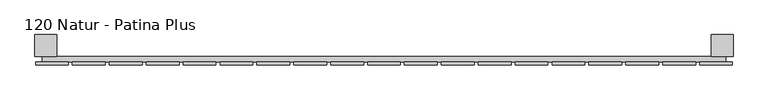
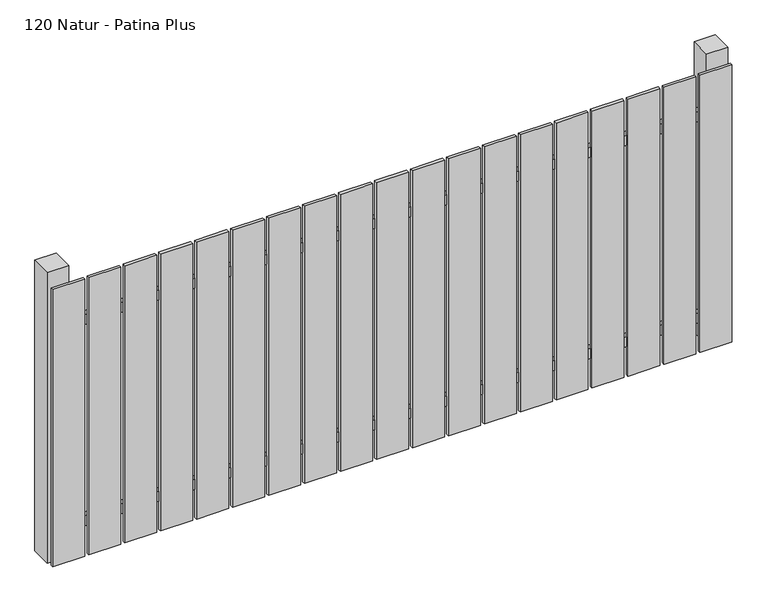
"""IFC4 building model written with IfcOpenShell, lengths in millimetres: railing geometry, 120 Natur - Patina Plus."""

from ifc_helpers import new_model, si_unit, frame, origin, origin_with_axes, place, context, project, spatial, polyline, outline, extrude, source, transform, mapped, element, save


def railing_120_natur_patina_plus_d2594d7c(model_context):
    return source(origin(), model_context, "Body", "SweptSolid", [
        extrude(outline(polyline([(11087.4299228, -113439.0267127), (11087.4299228, -113419.0267127), (13587.4299228, -113419.0267127), (13587.4299228, -113439.0267127), (11087.4299228, -113439.0267127)])), frame((0.0, 0.0, 110.0), z_axis=(0.0, 0.0, 1.0), x_axis=(1.0, 0.0, 0.0)), (0.0, 0.0, 1.0), 40.0),
        extrude(outline(polyline([(11087.4299228, -113439.0267127), (11087.4299228, -113419.0267127), (13587.4299228, -113419.0267127), (13587.4299228, -113439.0267127), (11087.4299228, -113439.0267127)])), frame((0.0, 0.0, 910.0), z_axis=(0.0, 0.0, 1.0), x_axis=(1.0, 0.0, 0.0)), (0.0, 0.0, 1.0), 40.0),
        extrude(outline(polyline([(13492.4299228, -113450.5267127), (13492.4299228, -113439.5267127), (13612.4299228, -113439.5267127), (13612.4299228, -113450.5267127), (13492.4299228, -113450.5267127)])), origin_with_axes(), (0.0, 0.0, 1.0), 1100.0),
        extrude(outline(polyline([(13357.4299228, -113450.5267127), (13357.4299228, -113439.5267127), (13477.4299228, -113439.5267127), (13477.4299228, -113450.5267127), (13357.4299228, -113450.5267127)])), origin_with_axes(), (0.0, 0.0, 1.0), 1100.0),
        extrude(outline(polyline([(13222.4299228, -113450.5267127), (13222.4299228, -113439.5267127), (13342.4299228, -113439.5267127), (13342.4299228, -113450.5267127), (13222.4299228, -113450.5267127)])), origin_with_axes(), (0.0, 0.0, 1.0), 1100.0),
        extrude(outline(polyline([(13087.4299228, -113450.5267127), (13087.4299228, -113439.5267127), (13207.4299228, -113439.5267127), (13207.4299228, -113450.5267127), (13087.4299228, -113450.5267127)])), origin_with_axes(), (0.0, 0.0, 1.0), 1100.0),
        extrude(outline(polyline([(12952.4299228, -113450.5267127), (12952.4299228, -113439.5267127), (13072.4299228, -113439.5267127), (13072.4299228, -113450.5267127), (12952.4299228, -113450.5267127)])), origin_with_axes(), (0.0, 0.0, 1.0), 1100.0),
        extrude(outline(polyline([(12817.4299228, -113450.5267127), (12817.4299228, -113439.5267127), (12937.4299228, -113439.5267127), (12937.4299228, -113450.5267127), (12817.4299228, -113450.5267127)])), origin_with_axes(), (0.0, 0.0, 1.0), 1100.0),
        extrude(outline(polyline([(12682.4299228, -113450.5267127), (12682.4299228, -113439.5267127), (12802.4299228, -113439.5267127), (12802.4299228, -113450.5267127), (12682.4299228, -113450.5267127)])), origin_with_axes(), (0.0, 0.0, 1.0), 1100.0),
        extrude(outline(polyline([(12547.4299228, -113450.5267127), (12547.4299228, -113439.5267127), (12667.4299228, -113439.5267127), (12667.4299228, -113450.5267127), (12547.4299228, -113450.5267127)])), origin_with_axes(), (0.0, 0.0, 1.0), 1100.0),
        extrude(outline(polyline([(12412.4299228, -113450.5267127), (12412.4299228, -113439.5267127), (12532.4299228, -113439.5267127), (12532.4299228, -113450.5267127), (12412.4299228, -113450.5267127)])), origin_with_axes(), (0.0, 0.0, 1.0), 1100.0),
        extrude(outline(polyline([(12277.4299228, -113450.5267127), (12277.4299228, -113439.5267127), (12397.4299228, -113439.5267127), (12397.4299228, -113450.5267127), (12277.4299228, -113450.5267127)])), origin_with_axes(), (0.0, 0.0, 1.0), 1100.0),
        extrude(outline(polyline([(12142.4299228, -113450.5267127), (12142.4299228, -113439.5267127), (12262.4299228, -113439.5267127), (12262.4299228, -113450.5267127), (12142.4299228, -113450.5267127)])), origin_with_axes(), (0.0, 0.0, 1.0), 1100.0),
        extrude(outline(polyline([(12007.4299228, -113450.5267127), (12007.4299228, -113439.5267127), (12127.4299228, -113439.5267127), (12127.4299228, -113450.5267127), (12007.4299228, -113450.5267127)])), origin_with_axes(), (0.0, 0.0, 1.0), 1100.0),
        extrude(outline(polyline([(11872.4299228, -113450.5267127), (11872.4299228, -113439.5267127), (11992.4299228, -113439.5267127), (11992.4299228, -113450.5267127), (11872.4299228, -113450.5267127)])), origin_with_axes(), (0.0, 0.0, 1.0), 1100.0),
        extrude(outline(polyline([(11737.4299228, -113450.5267127), (11737.4299228, -113439.5267127), (11857.4299228, -113439.5267127), (11857.4299228, -113450.5267127), (11737.4299228, -113450.5267127)])), origin_with_axes(), (0.0, 0.0, 1.0), 1100.0),
        extrude(outline(polyline([(11602.4299228, -113450.5267127), (11602.4299228, -113439.5267127), (11722.4299228, -113439.5267127), (11722.4299228, -113450.5267127), (11602.4299228, -113450.5267127)])), origin_with_axes(), (0.0, 0.0, 1.0), 1100.0),
        extrude(outline(polyline([(11467.4299228, -113450.5267127), (11467.4299228, -113439.5267127), (11587.4299228, -113439.5267127), (11587.4299228, -113450.5267127), (11467.4299228, -113450.5267127)])), origin_with_axes(), (0.0, 0.0, 1.0), 1100.0),
        extrude(outline(polyline([(11332.4299228, -113450.5267127), (11332.4299228, -113439.5267127), (11452.4299228, -113439.5267127), (11452.4299228, -113450.5267127), (11332.4299228, -113450.5267127)])), origin_with_axes(), (0.0, 0.0, 1.0), 1100.0),
        extrude(outline(polyline([(11197.4299228, -113450.5267127), (11197.4299228, -113439.5267127), (11317.4299228, -113439.5267127), (11317.4299228, -113450.5267127), (11197.4299228, -113450.5267127)])), origin_with_axes(), (0.0, 0.0, 1.0), 1100.0),
        extrude(outline(polyline([(11062.4299228, -113450.5267127), (11062.4299228, -113439.5267127), (11182.4299228, -113439.5267127), (11182.4299228, -113450.5267127), (11062.4299228, -113450.5267127)])), origin_with_axes(), (0.0, 0.0, 1.0), 1100.0),
        extrude(outline(polyline([(13534.9299228, -113339.0267127), (13614.9299228, -113339.0267127), (13614.9299228, -113419.0267127), (13534.9299228, -113419.0267127), (13534.9299228, -113339.0267127)])), frame((0.0, 0.0, -4.0), z_axis=(0.0, 0.0, 1.0), x_axis=(1.0, 0.0, 0.0)), (0.0, 0.0, 1.0), 1154.0),
        extrude(outline(polyline([(11059.9299228, -113339.0267127), (11139.9299228, -113339.0267127), (11139.9299228, -113419.0267127), (11059.9299228, -113419.0267127), (11059.9299228, -113339.0267127)])), frame((0.0, 0.0, -4.0), z_axis=(0.0, 0.0, 1.0), x_axis=(1.0, 0.0, 0.0)), (0.0, 0.0, 1.0), 1154.0),
    ])


if __name__ == "__main__":
    model = new_model("IFC4")
    model_context = context("Model", 3, world=origin())
    ifc_project = project(units=[si_unit("LENGTHUNIT", "METRE", prefix="MILLI")], contexts=[model_context])
    site = spatial("IfcSite", under=ifc_project)
    building = spatial("IfcBuilding", under=site)
    placement = place(None, origin())
    railing_120_natur_patina_plus_shape = railing_120_natur_patina_plus_d2594d7c(model_context)
    element("IfcRailing", 1, ObjectType="120 Natur - Patina Plus", at=placement, inside=building, context=model_context, shape_type="MappedRepresentation", body=[
        mapped(railing_120_natur_patina_plus_shape, transform((0.0, 0.0, 0.0), x_axis=(1.0, 0.0, 0.0), y_axis=(0.0, 1.0, 0.0), z_axis=(0.0, 0.0, 1.0))),
    ])
    save(model, "model.ifc")
